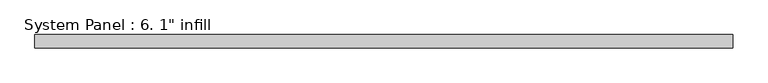
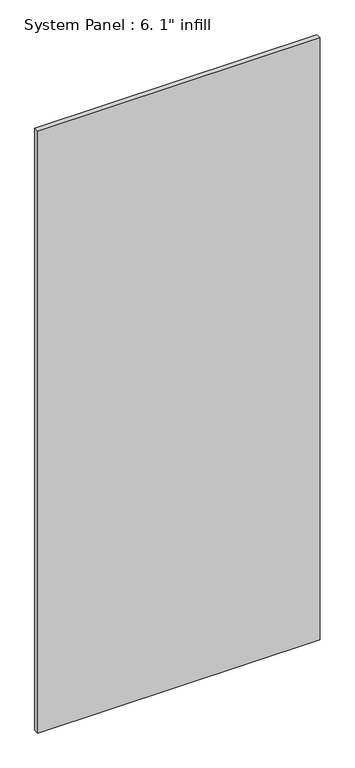
"""IFC4 building model written with IfcOpenShell, lengths in millimetres: plate geometry."""

from ifc_helpers import new_model, si_unit, origin, origin_with_axes, place, context, project, spatial, polyline, outline, extrude, source, transform, mapped, element, save


def plate_45e43aca(model_context):
    return source(origin(), model_context, "Body", "SweptSolid", [
        extrude(outline(polyline([(676.3286122, -12.7), (-676.3286122, -12.7), (-676.3286122, 12.7), (676.3286122, 12.7), (676.3286122, -12.7)])), origin_with_axes(), (0.0, 0.0, 1.0), 3048.0),
    ])


if __name__ == "__main__":
    model = new_model("IFC4")
    model_context = context("Model", 3, world=origin())
    ifc_project = project(units=[si_unit("LENGTHUNIT", "METRE", prefix="MILLI")], contexts=[model_context])
    site = spatial("IfcSite", under=ifc_project)
    building = spatial("IfcBuilding", under=site)
    placement = place(None, origin())
    plate_shape = plate_45e43aca(model_context)
    element("IfcPlate", 1, ObjectType="System Panel : 6. 1\" infill", at=placement, inside=building, context=model_context, shape_type="MappedRepresentation", body=[
        mapped(plate_shape, transform((0.0, 0.0, 0.0), x_axis=(1.0, 0.0, 0.0), y_axis=(0.0, 1.0, 0.0), z_axis=(0.0, 0.0, 1.0))),
    ])
    save(model, "model.ifc")
